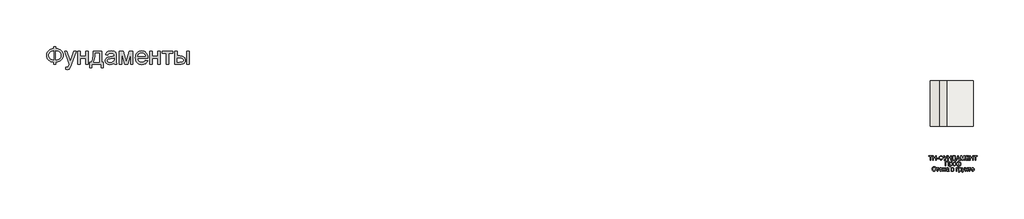
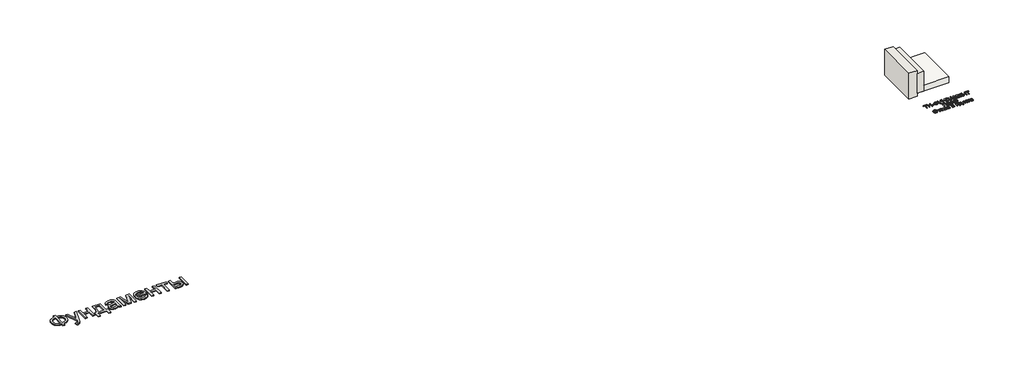
# One storey: 2 proxies, 2 walls, 1 slab.
"""IFC4 building model written with IfcOpenShell, lengths in millimetres."""

import ifcopenshell
import ifcopenshell.guid

model = None  # the IFC model being written
_history = None  # IfcOwnerHistory: only IFC2X3 demands one
_inside = {}  # id of a spatial element -> (the spatial element, [elements in it])
_under = {}  # id of a project, library or spatial element -> (it, [spatial elements below it])
_declared = {}  # id of a project -> (the project, [libraries it declares])
_typed = {}  # id of a type object -> (the type object, [elements of that type])
_made_of = {}  # id of a material, layer set ... -> (it, [elements and type objects made of it])


def new_model(schema):
    """Start an empty IFC model of exactly this schema.

    Asked for "IFC4X3", IfcOpenShell would pick the latest addendum, in which some entities
    have other attributes; the version numbers below select the first issue.
    IFC2X3 requires an IfcOwnerHistory on every rooted entity: one is made here for all.
    """
    global model, _history
    if schema == "IFC4X3":
        model = ifcopenshell.file(schema_version=(4, 3, 0, 0))
    else:
        model = ifcopenshell.file(schema=schema)
    _inside.clear()
    _under.clear()
    _declared.clear()
    _typed.clear()
    _made_of.clear()
    _history = None
    if model.schema == "IFC2X3":
        org = make("IfcOrganization", Name="unknown")
        user = make(
            "IfcPersonAndOrganization",
            ThePerson=make("IfcPerson", FamilyName="unknown"),
            TheOrganization=org,
        )
        app = make(
            "IfcApplication",
            ApplicationDeveloper=org,
            Version="unknown",
            ApplicationFullName="unknown",
            ApplicationIdentifier="unknown",
        )
        _history = make(
            "IfcOwnerHistory",
            OwningUser=user,
            OwningApplication=app,
            ChangeAction="ADDED",
            CreationDate=0,
        )
    return model


def make(cls, **values):
    """One entity of the class cls with the attributes given. An attribute that is None is left unset."""
    return model.create_entity(
        cls, **{name: value for name, value in values.items() if value is not None}
    )


def rooted(cls, **values):
    """An entity with a GlobalId (a new one), such as an element, a storey or a relation."""
    return make(cls, GlobalId=ifcopenshell.guid.new(), OwnerHistory=_history, **values)


def si_unit(unit_type, name, prefix=None):
    """IfcSIUnit, for example si_unit("LENGTHUNIT", "METRE", prefix="MILLI")."""
    return make("IfcSIUnit", UnitType=unit_type, Prefix=prefix, Name=name)


def assignment(units):
    """IfcUnitAssignment: the units of a project."""
    return None if units is None else make("IfcUnitAssignment", Units=units)


def point(xyz):
    """IfcCartesianPoint."""
    return None if xyz is None else make("IfcCartesianPoint", Coordinates=xyz)


def direction(xyz):
    """IfcDirection."""
    return None if xyz is None else make("IfcDirection", DirectionRatios=xyz)


def frame(location, z_axis=None, x_axis=None):
    """IfcAxis2Placement3D, a coordinate frame: its origin and axes. An axis left out is left unset."""
    return make(
        "IfcAxis2Placement3D",
        Location=point(location),
        Axis=direction(z_axis),
        RefDirection=direction(x_axis),
    )


def origin():
    """The frame at (0, 0, 0) with its axes left unset."""
    return frame((0.0, 0.0, 0.0))


def origin_with_axes():
    """The frame at (0, 0, 0) with the z axis (0, 0, 1) and the x axis (1, 0, 0) written out."""
    return frame((0.0, 0.0, 0.0), z_axis=(0.0, 0.0, 1.0), x_axis=(1.0, 0.0, 0.0))


def place(relative_to, where):
    """IfcLocalPlacement: puts the frame where relative to a parent placement (None: the world)."""
    return make(
        "IfcLocalPlacement", PlacementRelTo=relative_to, RelativePlacement=where
    )


def context(
    kind, dimensions, precision=None, world=None, true_north=None, identifier=None
):
    """IfcGeometricRepresentationContext, for example the 3D "Model" context."""
    return make(
        "IfcGeometricRepresentationContext",
        ContextIdentifier=identifier,
        ContextType=kind,
        CoordinateSpaceDimension=dimensions,
        Precision=precision,
        WorldCoordinateSystem=world,
        TrueNorth=true_north,
    )


def project(units=None, contexts=None):
    """IfcProject with its units and contexts."""
    return rooted(
        "IfcProject",
        Name="project",
        RepresentationContexts=contexts,
        UnitsInContext=assignment(units),
    )


def spatial(cls, under=None, at=None, **own):
    """A site, building, storey or space (cls), placed at a placement, below another one or the project."""
    s = rooted(cls, ObjectPlacement=at, **own)
    if under is not None:
        _under.setdefault(under.id(), (under, []))[1].append(s)
    return s


def polyline(points):
    """IfcPolyline through the points."""
    return make("IfcPolyline", Points=[point(p) for p in points])


def outline(outer, holes=None, kind="AREA"):
    """IfcArbitraryClosedProfileDef: a profile drawn as a closed curve; with holes, ...WithVoids."""
    if holes is None:
        return make("IfcArbitraryClosedProfileDef", ProfileType=kind, OuterCurve=outer)
    return make(
        "IfcArbitraryProfileDefWithVoids",
        ProfileType=kind,
        OuterCurve=outer,
        InnerCurves=holes,
    )


def extrude(swept, where, along, depth):
    """IfcExtrudedAreaSolid: the profile swept, set in the frame where, extruded along a direction by depth."""
    return make(
        "IfcExtrudedAreaSolid",
        SweptArea=swept,
        Position=where,
        ExtrudedDirection=direction(along),
        Depth=depth,
    )


def faces_of(points, faces, orient=None, outer=None):
    """IfcFace entities. A face is a list of loops; a loop is a list of indices into points, from 0.

    orient and outer hold one flag for each loop. By default every Orientation is true, the
    first loop of a face is its IfcFaceOuterBound and the others are IfcFaceBound.
    """
    made = []
    for i, loops in enumerate(faces):
        bounds = []
        for j, loop in enumerate(loops):
            is_outer = j == 0 if outer is None else outer[i][j]
            bounds.append(
                make(
                    "IfcFaceOuterBound" if is_outer else "IfcFaceBound",
                    Bound=make("IfcPolyLoop", Polygon=[points[k] for k in loop]),
                    Orientation=True if orient is None else orient[i][j],
                )
            )
        made.append(make("IfcFace", Bounds=bounds))
    return made


def faceted_brep(points, faces, orient=None, outer=None, voids=None):
    """IfcFacetedBrep: a solid bounded by flat faces; with voids (closed shells), ...WithVoids."""
    shared = [point(p) for p in points]
    hull = make("IfcClosedShell", CfsFaces=faces_of(shared, faces, orient, outer))
    if voids is None:
        return make("IfcFacetedBrep", Outer=hull)
    return make(
        "IfcFacetedBrepWithVoids",
        Outer=hull,
        Voids=[
            make(cls, CfsFaces=faces_of(shared, fs, o, b)) for cls, fs, o, b in voids
        ],
    )


def shape(context_of_items, identifier, shape_type, items):
    """IfcShapeRepresentation: the items that make up one representation, for example the "Body"."""
    return make(
        "IfcShapeRepresentation",
        ContextOfItems=context_of_items,
        RepresentationIdentifier=identifier,
        RepresentationType=shape_type,
        Items=items,
    )


def made_of(thing, what):
    """Note that an element or type object is made of a material, layer set ...; save() writes the relation."""
    if what is not None:
        _made_of.setdefault(what.id(), (what, []))[1].append(thing)
    return thing


def element(
    cls,
    number,
    at=None,
    inside=None,
    cuts=None,
    type_object=None,
    material=None,
    context=None,
    identifier="Body",
    shape_type=None,
    held_by="IfcProductDefinitionShape",
    body=None,
    shapes=None,
    **own,
):
    """One element of the class cls, such as IfcWall. Its Tag is "e" and its number.

    at: its placement. inside: the storey or other place that contains it. cuts: it is an
    opening in that element (IfcRelVoidsElement). A single representation is given by context,
    identifier, shape_type and body (its items); several are given by shapes. held_by: the class
    of the entity that holds the representations. save() writes the other relations.
    """
    e = rooted(cls, Tag="e%d" % number, ObjectPlacement=at, **own)
    if body is not None:
        shapes = [shape(context, identifier, shape_type, body)]
    if shapes is not None:
        e.Representation = make(held_by, Representations=shapes)
    if inside is not None:
        _inside.setdefault(inside.id(), (inside, []))[1].append(e)
    if cuts is not None:
        rooted(
            "IfcRelVoidsElement", RelatingBuildingElement=cuts, RelatedOpeningElement=e
        )
    if type_object is not None:
        _typed.setdefault(type_object.id(), (type_object, []))[1].append(e)
    return made_of(e, material)


def aggregate(whole, parts):
    """IfcRelAggregates: a whole, such as a stair, and the parts it consists of."""
    return rooted("IfcRelAggregates", RelatingObject=whole, RelatedObjects=parts)


def save(model, path):
    """Write the relations noted so far, then the file.

    IfcRelAggregates (storeys below a building ...), IfcRelContainedInSpatialStructure (elements
    in a storey), IfcRelDefinesByType, IfcRelAssociatesMaterial and IfcRelDeclares: one each for
    every whole, place, type object, material and project.
    """
    for whole, parts in _under.values():
        aggregate(whole, parts)
    for where, things in _inside.values():
        rooted(
            "IfcRelContainedInSpatialStructure",
            RelatedElements=things,
            RelatingStructure=where,
        )
    for kind, things in _typed.values():
        rooted("IfcRelDefinesByType", RelatedObjects=things, RelatingType=kind)
    for what, things in _made_of.values():
        rooted("IfcRelAssociatesMaterial", RelatedObjects=things, RelatingMaterial=what)
    for by, libraries in _declared.values():
        rooted("IfcRelDeclares", RelatingContext=by, RelatedDefinitions=libraries)
    model.write(path)


model = new_model("IFC4")

# Units and contexts
model_context = context("Model", 3, world=origin())
ifc_project = project(units=[si_unit("LENGTHUNIT", "METRE", prefix="MILLI")], contexts=[model_context])

# Site, building, storey
site = spatial("IfcSite", under=ifc_project)
building = spatial("IfcBuilding", under=site)
storey = spatial("IfcBuildingStorey", under=building, Elevation=0.0)

# Proxies
placement = place(None, origin())
element("IfcBuildingElementProxy", 1, Name="Generic Models", at=placement, inside=storey, context=model_context, shape_type="SweptSolid", body=[
    extrude(outline(polyline([(-1939.8736325, -26885.7211043), (-1939.8736325, -26787.7817103), (-1841.9342386, -26787.7817103), (-1841.9342386, -26885.7211043), (-1772.0723186, -26894.3529698), (-1709.9695132, -26912.2144755), (-1655.6258224, -26939.3056213), (-1609.0412461, -26975.6264073), (-1571.6743546, -27019.0607113), (-1544.9837177, -27067.4924111), (-1528.9693356, -27120.9215067), (-1523.6312083, -27179.3479982), (-1528.8019587, -27236.6028514), (-1544.3142102, -27289.3863505), (-1570.1679625, -27337.6984954), (-1606.3632158, -27381.5392861), (-1628.1416397, -27401.1761824), (-1652.1109076, -27418.4817577), (-1706.6219753, -27446.0989452), (-1769.896419, -27464.3908486), (-1841.9342386, -27473.3574679), (-1841.9342386, -27571.2968619), (-1939.8736325, -27571.2968619), (-1939.8736325, -27473.3574679), (-2005.3060425, -27466.0586398), (-2065.0237272, -27449.518216), (-2119.0266865, -27423.7361966), (-2167.3149204, -27388.7125816), (-2207.0669327, -27345.8939854), (-2222.6837947, -27322.10405), (-2235.4612272, -27296.7270228), (-2245.3992303, -27269.7629041), (-2252.4978039, -27241.2116938), (-2258.1766628, -27179.3479982), (-2252.5157371, -27117.2033486), (-2245.4395801, -27088.5878775), (-2235.5329602, -27061.6103088), (-2222.7958774, -27036.2706426), (-2207.2283318, -27012.5688789), (-2188.8303234, -26990.5050176), (-2167.6018522, -26970.0790588), (-2119.4032845, -26935.3961753), (-2065.382392, -26909.775555), (-2005.5391746, -26893.217198), (-1939.8736325, -26885.7211043)]), holes=[polyline([(-1841.9342386, -26983.6604982), (-1841.9342386, -27375.418074), (-1793.3949393, -27370.2234125), (-1750.3073446, -27359.2303372), (-1712.6714545, -27342.4388481), (-1680.4872689, -27319.8489452), (-1654.7112272, -27291.9627591), (-1636.2997689, -27259.2824206), (-1625.2528939, -27221.8079296), (-1621.5706022, -27179.5392861), (-1625.1871387, -27137.922217), (-1636.036748, -27100.872146), (-1654.1194303, -27068.389073), (-1679.4351855, -27040.4729982), (-1711.2905951, -27017.6977852), (-1748.9922405, -27000.6372975), (-1792.5401216, -26989.2915352), (-1841.9342386, -26983.6604982)]), polyline([(-1939.8736325, -26983.6604982), (-1986.781007, -26988.5861611), (-2028.989873, -26999.3461043), (-2066.5002305, -27015.9403278), (-2099.3120795, -27038.3688316), (-2125.9668498, -27066.2012179), (-2145.0059715, -27099.0070891), (-2156.4294445, -27136.7864452), (-2160.2372689, -27179.5392861), (-2156.4772665, -27221.9035735), (-2145.1972594, -27259.4737085), (-2126.3972476, -27292.2496909), (-2100.077231, -27320.231521), (-2067.5044919, -27342.8692459), (-2029.9463124, -27359.612913), (-1987.4026926, -27370.4625224), (-1939.8736325, -27375.418074), (-1939.8736325, -26983.6604982)])]), origin_with_axes(), (0.0, 0.0, 1.0), 40.0),
    extrude(outline(polyline([(-1401.2069658, -27791.6604982), (-1413.4493901, -27697.355574), (-1386.764731, -27703.8115399), (-1363.7145416, -27705.9635285), (-1337.5559242, -27703.2615872), (-1317.2315871, -27695.1557634), (-1301.4025151, -27682.2199206), (-1288.7296931, -27665.0279225), (-1261.9493901, -27592.9123922), (-1254.2978749, -27569.1926952), (-1462.4190871, -26995.9029225), (-1359.1236325, -26995.9029225), (-1248.7505264, -27315.35368), (-1210.3016628, -27443.1339831), (-1171.8527992, -27330.2741346), (-1058.4190871, -26995.9029225), (-955.888784, -26995.9029225), (-1156.1671931, -27585.0695891), (-1185.9124583, -27663.4019755), (-1208.1974961, -27712.8498922), (-1234.8343333, -27753.6420323), (-1265.0099961, -27781.9048164), (-1300.0634999, -27798.403396), (-1341.3338598, -27803.9029225), (-1369.6922878, -27800.8423164), (-1401.2069658, -27791.6604982)])), origin_with_axes(), (0.0, 0.0, 1.0), 40.0),
    extrude(outline(polyline([(-874.7827234, -26995.9029225), (-776.8433295, -26995.9029225), (-776.8433295, -27216.2665588), (-519.7524204, -27216.2665588), (-519.7524204, -26995.9029225), (-421.8130264, -26995.9029225), (-421.8130264, -27571.2968619), (-519.7524204, -27571.2968619), (-519.7524204, -27314.2059528), (-776.8433295, -27314.2059528), (-776.8433295, -27571.2968619), (-874.7827234, -27571.2968619), (-874.7827234, -26995.9029225)])), origin_with_axes(), (0.0, 0.0, 1.0), 40.0),
    extrude(outline(polyline([(-189.2069658, -26995.9029225), (178.0657614, -26995.9029225), (178.0657614, -27473.3574679), (251.5203069, -27473.3574679), (251.5203069, -27730.448377), (153.5809129, -27730.448377), (153.5809129, -27571.2968619), (-250.4190871, -27571.2968619), (-250.4190871, -27730.448377), (-348.358481, -27730.448377), (-348.358481, -27473.3574679), (-287.1463598, -27473.3574679), (-263.2293972, -27436.3970631), (-242.648017, -27392.9448259), (-225.4022192, -27343.0007563), (-211.4920037, -27286.5648543), (-200.9173707, -27223.6371199), (-193.67832, -27154.2175531), (-189.7748517, -27078.306154), (-189.2069658, -26995.9029225)]), holes=[polyline([(-103.5099961, -27093.8423164), (-111.5440871, -27213.7559054), (-126.4645416, -27316.979627), (-148.2713598, -27403.5134812), (-161.7571552, -27440.521708), (-176.9645416, -27473.3574679), (80.1263675, -27473.3574679), (80.1263675, -27093.8423164), (-103.5099961, -27093.8423164)])]), origin_with_axes(), (0.0, 0.0, 1.0), 40.0),
    extrude(outline(polyline([(728.9748523, -27497.8423164), (682.181055, -27537.964949), (658.2640924, -27552.8256261), (634.0004205, -27564.2192103), (583.3330436, -27578.7092672), (529.079019, -27583.5392861), (485.4713604, -27580.6341014), (447.2317179, -27571.9185475), (414.3600914, -27557.3926242), (386.8564811, -27537.0563316), (365.1393291, -27512.2008628), (349.6270777, -27484.1174111), (340.3197269, -27452.8059764), (337.2172766, -27418.2665588), (341.9038296, -27377.6657066), (355.9634887, -27340.7949679), (377.650752, -27309.2324679), (405.2201175, -27284.5563316), (437.619502, -27265.9057634), (473.796822, -27252.4199679), (558.5373523, -27237.6908013), (658.6765569, -27222.1964831), (728.4009887, -27204.0241346), (728.9748523, -27182.2173164), (727.2891279, -27158.4737085), (722.2319546, -27138.5080361), (713.8033325, -27122.3202994), (702.0032614, -27109.9104982), (681.6071914, -27097.5246081), (656.7636781, -27088.6775437), (627.4727217, -27083.369305), (593.734322, -27081.5998922), (535.391519, -27086.3103562), (512.8195493, -27092.1984362), (494.6472008, -27100.4417482), (479.7147908, -27111.6858888), (466.8626364, -27126.5764547), (456.0907378, -27145.1134457), (447.3990948, -27167.2968619), (349.4597008, -27155.0544376), (366.4604111, -27101.4938316), (378.0990829, -27079.0175058), (391.829966, -27059.4104982), (408.2448571, -27042.2782776), (427.9355531, -27027.2263126), (450.902054, -27014.2546033), (477.1443599, -27003.3631497), (537.3283088, -26988.5861611), (606.359322, -26983.6604982), (672.5688391, -26988.0122975), (725.0534508, -27001.0676952), (764.6261307, -27020.6986138), (792.0998523, -27044.7769755), (810.3200228, -27074.5461516), (822.1320493, -27111.2495134), (825.718697, -27145.1074679), (826.9142463, -27196.9464831), (826.9142463, -27318.7968619), (828.1576175, -27424.9377236), (831.8877311, -27488.94743), (839.2523145, -27531.0068524), (851.3990948, -27571.2968619), (753.4597008, -27571.2968619), (737.7740948, -27537.2476194), (728.9748523, -27497.8423164)]), holes=[polyline([(728.9748523, -27301.9635285), (663.171822, -27318.2708202), (570.9710645, -27331.9957255), (520.1602217, -27339.5037747), (486.7087539, -27347.8726194), (464.7823807, -27358.7282066), (448.546822, -27373.6964831), (438.5042084, -27391.6297217), (435.1566705, -27411.3801952), (436.9798831, -27426.599537), (442.4495209, -27440.5037747), (451.5655839, -27453.0929083), (464.328072, -27464.3669376), (480.6174305, -27473.6563552), (500.3141042, -27480.2916535), (549.9293978, -27485.5998922), (602.5335645, -27479.7417009), (626.5401932, -27472.4189618), (649.016519, -27462.167127), (686.7002311, -27436.2715304), (712.9066705, -27405.450271), (724.5274092, -27373.6964831), (728.4009887, -27329.700271), (728.9748523, -27301.9635285)])]), origin_with_axes(), (0.0, 0.0, 1.0), 40.0),
    extrude(outline(polyline([(961.5809129, -26995.9029225), (1130.1055342, -26995.9029225), (1259.9900039, -27456.5241346), (1400.0127311, -26995.9029225), (1561.4597008, -26995.9029225), (1561.4597008, -27571.2968619), (1463.5203069, -27571.2968619), (1463.5203069, -27107.9976194), (1322.7324281, -27571.2968619), (1194.1869736, -27571.2968619), (1059.5203069, -27085.8082255), (1059.5203069, -27571.2968619), (961.5809129, -27571.2968619), (961.5809129, -26995.9029225)])), origin_with_axes(), (0.0, 0.0, 1.0), 40.0),
    extrude(outline(polyline([(2111.2210645, -27399.9029225), (2207.2475796, -27412.1453467), (2192.5243907, -27450.6061658), (2172.6483845, -27484.4999869), (2147.6195611, -27513.8268098), (2117.4379205, -27538.5866346), (2082.4143055, -27558.2534196), (2042.8595588, -27572.3011232), (1998.7736805, -27580.7297454), (1950.1566705, -27583.5392861), (1889.3869025, -27578.6913339), (1835.2404773, -27564.1474774), (1787.717395, -27539.9077165), (1746.8176554, -27505.9720513), (1713.9280957, -27463.2849656), (1690.4355531, -27412.7909433), (1676.3400275, -27354.4899845), (1671.641519, -27288.3820891), (1676.3878495, -27220.0325389), (1690.626841, -27159.7888126), (1714.3584934, -27107.6509102), (1747.5828069, -27063.6188316), (1788.374947, -27028.6370607), (1834.8100796, -27003.6500816), (1886.8882046, -26988.6578941), (1944.609322, -26983.6604982), (2000.4713604, -26988.6459386), (2050.9892936, -27003.6022596), (2096.1631218, -27028.5294613), (2135.9928448, -27063.4275437), (2168.5058064, -27107.3639783), (2191.7293504, -27159.4062369), (2205.6634769, -27219.5543192), (2210.3081857, -27287.8082255), (2209.734322, -27314.2059528), (1769.5809129, -27314.2059528), (1775.2537941, -27353.2884575), (1786.5338012, -27387.5170323), (1803.4209343, -27416.8916772), (1825.9151932, -27441.4123922), (1852.773207, -27460.7444234), (1882.7516042, -27474.5530172), (1915.850385, -27482.8381734), (1952.0695493, -27485.5998922), (2004.1954963, -27480.4829414), (2048.0960645, -27465.1320891), (2066.9618315, -27453.3798401), (2083.7712539, -27438.590896), (2098.5243315, -27420.7652567), (2111.2210645, -27399.9029225)]), holes=[polyline([(1769.5809129, -27216.2665588), (2112.3687917, -27216.2665588), (2107.3355294, -27188.5537274), (2099.1221061, -27164.5231876), (2087.7285218, -27144.1749395), (2073.1547766, -27127.5089831), (2046.4462065, -27107.4237558), (2016.0553448, -27093.0771649), (1981.9821914, -27084.4692103), (1944.2267463, -27081.5998922), (1909.7889504, -27083.889369), (1878.2085171, -27090.7577994), (1849.4854466, -27102.2051834), (1823.6197387, -27118.231521), (1801.9145422, -27138.0955716), (1785.6730057, -27161.0560948), (1774.8951293, -27187.1130906), (1769.5809129, -27216.2665588)])]), origin_with_axes(), (0.0, 0.0, 1.0), 40.0),
    extrude(outline(polyline([(2308.2475796, -26995.9029225), (2406.1869736, -26995.9029225), (2406.1869736, -27216.2665588), (2663.2778826, -27216.2665588), (2663.2778826, -26995.9029225), (2761.2172766, -26995.9029225), (2761.2172766, -27571.2968619), (2663.2778826, -27571.2968619), (2663.2778826, -27314.2059528), (2406.1869736, -27314.2059528), (2406.1869736, -27571.2968619), (2308.2475796, -27571.2968619), (2308.2475796, -26995.9029225)])), origin_with_axes(), (0.0, 0.0, 1.0), 40.0),
    extrude(outline(polyline([(2859.1566705, -26995.9029225), (3324.3687917, -26995.9029225), (3324.3687917, -27093.8423164), (3140.7324281, -27093.8423164), (3140.7324281, -27571.2968619), (3042.7930342, -27571.2968619), (3042.7930342, -27093.8423164), (2859.1566705, -27093.8423164), (2859.1566705, -26995.9029225)])), origin_with_axes(), (0.0, 0.0, 1.0), 40.0),
    extrude(outline(polyline([(3948.7324281, -26995.9029225), (4046.671822, -26995.9029225), (4046.671822, -27571.2968619), (3948.7324281, -27571.2968619), (3948.7324281, -26995.9029225)])), origin_with_axes(), (0.0, 0.0, 1.0), 40.0),
    extrude(outline(polyline([(3410.0657614, -26995.9029225), (3508.0051554, -26995.9029225), (3508.0051554, -27204.0241346), (3629.0903826, -27204.0241346), (3684.8089551, -27207.0907184), (3733.7487633, -27216.2904698), (3775.9098074, -27231.6233888), (3811.2920872, -27253.0894755), (3839.2858727, -27279.9474892), (3859.2814338, -27311.4561895), (3871.2787704, -27347.6155763), (3875.2778826, -27388.4256497), (3871.924367, -27424.8361019), (3861.8638201, -27458.5087463), (3845.096242, -27489.443583), (3821.6216326, -27517.6406119), (3790.7824399, -27541.1152212), (3751.9211118, -27557.8827994), (3705.0376483, -27567.9433462), (3650.1320493, -27571.2968619), (3410.0657614, -27571.2968619), (3410.0657614, -26995.9029225)]), holes=[polyline([(3508.0051554, -27473.3574679), (3608.6225796, -27473.3574679), (3686.6202122, -27468.2166062), (3715.8274802, -27461.790529), (3738.5070493, -27452.794021), (3755.495804, -27441.0716606), (3767.6306289, -27426.4680266), (3774.9115237, -27408.983119), (3777.3384887, -27388.6169376), (3775.5391871, -27372.1542245), (3770.1412823, -27356.6240399), (3761.1447742, -27342.0263836), (3748.5496629, -27328.3612558), (3729.8094286, -27316.8122501), (3702.3775512, -27308.5629603), (3666.2540308, -27303.6133865), (3621.4388675, -27301.9635285), (3508.0051554, -27301.9635285), (3508.0051554, -27473.3574679)])]), origin_with_axes(), (0.0, 0.0, 1.0), 40.0),
])
element("IfcBuildingElementProxy", 2, Name="Generic Models", at=placement, inside=storey, context=model_context, shape_type="SweptSolid", body=[
    extrude(outline(polyline([(36790.0261809, -31805.4852611), (36790.0261809, -31633.1775688), (36725.4107963, -31633.1775688), (36725.4107963, -31608.5621842), (36879.2569501, -31608.5621842), (36879.2569501, -31633.1775688), (36814.6415655, -31633.1775688), (36814.6415655, -31805.4852611), (36790.0261809, -31805.4852611)])), origin_with_axes(), (0.0, 0.0, 1.0), 20.0),
    extrude(outline(polyline([(36906.9492578, -31805.4852611), (36906.9492578, -31608.5621842), (36931.5646424, -31608.5621842), (36931.5646424, -31688.5621842), (37036.180027, -31688.5621842), (37036.180027, -31608.5621842), (37060.7954117, -31608.5621842), (37060.7954117, -31805.4852611), (37036.180027, -31805.4852611), (37036.180027, -31713.1775688), (36931.5646424, -31713.1775688), (36931.5646424, -31805.4852611), (36906.9492578, -31805.4852611)])), origin_with_axes(), (0.0, 0.0, 1.0), 20.0),
    extrude(outline(polyline([(37088.4877194, -31747.0237226), (37088.4877194, -31722.408338), (37165.4107963, -31722.408338), (37165.4107963, -31747.0237226), (37088.4877194, -31747.0237226)])), origin_with_axes(), (0.0, 0.0, 1.0), 20.0),
    extrude(outline(polyline([(37266.9492578, -31633.1775688), (37266.9492578, -31608.5621842), (37291.5646424, -31608.5621842), (37291.5646424, -31633.1775688), (37324.7317097, -31639.8362226), (37350.0982963, -31655.7737226), (37366.1980559, -31678.8626649), (37371.5646424, -31706.9756457), (37366.3663251, -31734.6318957), (37350.7713732, -31757.7929534), (37325.5730559, -31774.0189149), (37291.5646424, -31780.8698765), (37291.5646424, -31805.4852611), (37266.9492578, -31805.4852611), (37266.9492578, -31780.8698765), (37235.4949309, -31774.8782899), (37209.7857963, -31759.595838), (37199.7948107, -31748.8341193), (37192.6583924, -31736.4768476), (37186.9492578, -31706.9756457), (37192.6403636, -31677.3842995), (37199.7542458, -31665.0585784), (37209.7136809, -31654.3794919), (37235.4047867, -31639.2232419), (37266.9492578, -31633.1775688)]), holes=[polyline([(37266.9492578, -31657.7929534), (37244.5514213, -31661.7352611), (37226.8771424, -31671.5429534), (37215.3927674, -31686.783338), (37211.5646424, -31707.0237226), (37215.3446905, -31727.1138669), (37226.6848347, -31742.3842995), (37244.3110367, -31752.2821361), (37266.9492578, -31756.2544919), (37266.9492578, -31657.7929534)]), polyline([(37291.5646424, -31657.7929534), (37291.5646424, -31756.2544919), (37314.5934886, -31752.1859822), (37332.1415655, -31742.2881457), (37343.2473347, -31727.0657899), (37346.9492578, -31707.0237226), (37343.3134405, -31687.252088), (37332.4059886, -31672.0717995), (37314.9240174, -31662.0597803), (37291.5646424, -31657.7929534)])]), origin_with_axes(), (0.0, 0.0, 1.0), 20.0),
    extrude(outline(polyline([(37391.5646424, -31608.5621842), (37418.8242578, -31608.5621842), (37477.7184886, -31725.1967995), (37530.6992578, -31608.5621842), (37557.7184886, -31608.5621842), (37482.9588732, -31761.9756457), (37462.6223347, -31799.6679534), (37452.9708924, -31806.3386265), (37439.8819501, -31808.5621842), (37417.7184886, -31805.4852611), (37417.7184886, -31783.9467995), (37437.0934886, -31783.9467995), (37451.4684886, -31778.4660303), (37464.7857963, -31753.5141072), (37391.5646424, -31608.5621842)])), origin_with_axes(), (0.0, 0.0, 1.0), 20.0),
    extrude(outline(polyline([(37580.7954117, -31805.4852611), (37580.7954117, -31608.5621842), (37605.4107963, -31608.5621842), (37605.4107963, -31688.5621842), (37710.0261809, -31688.5621842), (37710.0261809, -31608.5621842), (37734.6415655, -31608.5621842), (37734.6415655, -31805.4852611), (37710.0261809, -31805.4852611), (37710.0261809, -31713.1775688), (37605.4107963, -31713.1775688), (37605.4107963, -31805.4852611), (37580.7954117, -31805.4852611)])), origin_with_axes(), (0.0, 0.0, 1.0), 20.0),
    extrude(outline(polyline([(37796.180027, -31608.5621842), (37913.103104, -31608.5621842), (37913.103104, -31780.8698765), (37931.5646424, -31780.8698765), (37931.5646424, -31851.6391072), (37906.9492578, -31851.6391072), (37906.9492578, -31805.4852611), (37780.7954117, -31805.4852611), (37780.7954117, -31851.6391072), (37756.180027, -31851.6391072), (37756.180027, -31780.8698765), (37771.5646424, -31780.8698765), (37782.3338732, -31758.5411505), (37790.0261809, -31727.1318957), (37794.6415655, -31686.642112), (37796.180027, -31637.0717995), (37796.180027, -31608.5621842)]), holes=[polyline([(37888.4877194, -31633.1775688), (37820.7954117, -31633.1775688), (37820.7954117, -31643.0814149), (37815.7954117, -31710.533338), (37808.3915655, -31749.5117034), (37796.180027, -31780.8698765), (37888.4877194, -31780.8698765), (37888.4877194, -31633.1775688)])]), origin_with_axes(), (0.0, 0.0, 1.0), 20.0),
    extrude(outline(polyline([(37939.4011809, -31805.4852611), (38018.0069501, -31608.5621842), (38038.9684886, -31608.5621842), (38117.5742578, -31805.4852611), (38091.5646424, -31805.4852611), (38069.0165655, -31743.9467995), (37987.9107963, -31743.9467995), (37965.4107963, -31805.4852611), (37939.4011809, -31805.4852611)]), holes=[polyline([(37996.9492578, -31719.3314149), (38060.0261809, -31719.3314149), (38042.2857963, -31670.9179534), (38028.4877194, -31633.1775688), (38016.228104, -31666.6871842), (37996.9492578, -31719.3314149)])]), origin_with_axes(), (0.0, 0.0, 1.0), 20.0),
    extrude(outline(polyline([(38143.8723347, -31805.4852611), (38143.8723347, -31608.5621842), (38186.228104, -31608.5621842), (38226.5165655, -31747.3602611), (38234.6415655, -31776.3506457), (38243.4396424, -31744.9564149), (38283.055027, -31608.5621842), (38325.4107963, -31608.5621842), (38325.4107963, -31805.4852611), (38300.7954117, -31805.4852611), (38300.7954117, -31633.1775688), (38251.3242578, -31805.4852611), (38217.9588732, -31805.4852611), (38168.4877194, -31633.1775688), (38168.4877194, -31805.4852611), (38143.8723347, -31805.4852611)])), origin_with_axes(), (0.0, 0.0, 1.0), 20.0),
    extrude(outline(polyline([(38368.4877194, -31805.4852611), (38368.4877194, -31608.5621842), (38510.0261809, -31608.5621842), (38510.0261809, -31633.1775688), (38393.103104, -31633.1775688), (38393.103104, -31691.6391072), (38503.8723347, -31691.6391072), (38503.8723347, -31716.2544919), (38393.103104, -31716.2544919), (38393.103104, -31780.8698765), (38513.103104, -31780.8698765), (38513.103104, -31805.4852611), (38368.4877194, -31805.4852611)])), origin_with_axes(), (0.0, 0.0, 1.0), 20.0),
    extrude(outline(polyline([(38550.0261809, -31805.4852611), (38550.0261809, -31608.5621842), (38574.6415655, -31608.5621842), (38574.6415655, -31688.5621842), (38679.2569501, -31688.5621842), (38679.2569501, -31608.5621842), (38703.8723347, -31608.5621842), (38703.8723347, -31805.4852611), (38679.2569501, -31805.4852611), (38679.2569501, -31713.1775688), (38574.6415655, -31713.1775688), (38574.6415655, -31805.4852611), (38550.0261809, -31805.4852611)])), origin_with_axes(), (0.0, 0.0, 1.0), 20.0),
    extrude(outline(polyline([(38796.180027, -31805.4852611), (38796.180027, -31633.1775688), (38731.5646424, -31633.1775688), (38731.5646424, -31608.5621842), (38885.4107963, -31608.5621842), (38885.4107963, -31633.1775688), (38820.7954117, -31633.1775688), (38820.7954117, -31805.4852611), (38796.180027, -31805.4852611)])), origin_with_axes(), (0.0, 0.0, 1.0), 20.0),
    extrude(outline(polyline([(37465.4107963, -31851.6391072), (37619.2569501, -31851.6391072), (37619.2569501, -32048.5621842), (37594.6415655, -32048.5621842), (37594.6415655, -31876.2544919), (37490.0261809, -31876.2544919), (37490.0261809, -32048.5621842), (37465.4107963, -32048.5621842), (37465.4107963, -31851.6391072)])), origin_with_axes(), (0.0, 0.0, 1.0), 20.0),
    extrude(outline(polyline([(37659.2569501, -32103.9467995), (37659.2569501, -31903.9467995), (37683.8723347, -31903.9467995), (37683.8723347, -31928.0814149), (37700.8915655, -31907.6727611), (37711.3723347, -31902.5705976), (37723.8723347, -31900.8698765), (37740.5189694, -31903.2496842), (37755.0742578, -31910.3891072), (37766.9252194, -31921.8554534), (37775.4588732, -31937.2160303), (37780.6151232, -31955.3530495), (37782.3338732, -31975.1487226), (37780.3927674, -31996.2004053), (37774.5694501, -32015.0285303), (37765.0502194, -32030.6775688), (37752.0213732, -32042.1919919), (37736.8470944, -32049.2773284), (37720.8915655, -32051.6391072), (37709.5754597, -32050.0585784), (37699.4732963, -32045.3169919), (37683.8723347, -32029.3314149), (37683.8723347, -32103.9467995), (37659.2569501, -32103.9467995)]), holes=[polyline([(37683.8723347, -31977.408338), (37686.5345944, -31999.4756457), (37694.5213732, -32014.908338), (37706.306229, -32023.9948765), (37720.3627194, -32027.0237226), (37734.6475751, -32023.8867034), (37746.7329117, -32014.4756457), (37754.9720944, -31998.4780495), (37757.7184886, -31975.5814149), (37755.0382001, -31953.6342995), (37746.9973347, -31937.9852611), (37735.2305078, -31928.6102611), (37721.3723347, -31925.4852611), (37707.4600751, -31928.8085784), (37695.242527, -31938.7785303), (37686.7148828, -31955.0826169), (37683.8723347, -31977.408338)])]), origin_with_axes(), (0.0, 0.0, 1.0), 20.0),
    extrude(outline(polyline([(37803.8723347, -31976.2544919), (37809.196854, -31941.3867034), (37815.852503, -31927.8380255), (37825.1704117, -31916.8794919), (37844.9059886, -31904.8722803), (37868.5357963, -31900.8698765), (37894.3951713, -31905.7436745), (37915.0502194, -31920.3650688), (37928.5898828, -31943.580213), (37933.103104, -31974.2352611), (37931.1079117, -31999.1030495), (37925.1223347, -32018.033338), (37915.320652, -32032.2100207), (37901.8771424, -32042.8169919), (37885.9095944, -32049.4335784), (37868.5357963, -32051.6391072), (37842.3639213, -32046.783338), (37821.7329117, -32032.2160303), (37808.337479, -32008.5141072), (37803.8723347, -31976.2544919)]), holes=[polyline([(37828.4877194, -31976.2064149), (37831.336277, -31998.4840592), (37839.8819501, -32014.3554534), (37852.742527, -32023.8566553), (37868.5357963, -32027.0237226), (37884.2569501, -32023.8386265), (37897.0934886, -32014.283338), (37905.6391617, -31998.2016072), (37908.4877194, -31975.4371842), (37905.6211328, -31953.8085784), (37897.0213732, -31938.1535303), (37884.1668059, -31928.6523284), (37868.5357963, -31925.4852611), (37852.742527, -31928.6403092), (37839.8819501, -31938.1054534), (37831.336277, -31953.9407899), (37828.4877194, -31976.2064149)])]), origin_with_axes(), (0.0, 0.0, 1.0), 20.0),
    extrude(outline(polyline([(38043.8723347, -31851.6391072), (38068.4877194, -31851.6391072), (38068.4877194, -31917.8410303), (38084.1367578, -31905.0766072), (38102.478104, -31900.8698765), (38124.0225751, -31906.2184342), (38140.5790655, -31922.2641072), (38151.1259405, -31946.4227611), (38154.6415655, -31976.1102611), (38150.8555078, -32006.705213), (38139.4973347, -32030.7977611), (38122.5141617, -32046.4287707), (38101.853104, -32051.6391072), (38086.805027, -32049.2352611), (38068.4877194, -32036.1102611), (38068.4877194, -32103.9467995), (38043.8723347, -32103.9467995), (38043.8723347, -32036.1102611), (38028.1511809, -32047.7448765), (38009.5454117, -32051.6391072), (37988.9204117, -32046.6631457), (37971.0838732, -32031.7352611), (37958.7521424, -32007.5405495), (37954.6415655, -31974.7641072), (37958.3615174, -31945.9059342), (37969.5213732, -31922.1198765), (37986.9672867, -31906.1823765), (38009.5454117, -31900.8698765), (38028.6079117, -31905.0766072), (38043.8723347, -31917.8410303), (38043.8723347, -31851.6391072)]), holes=[polyline([(38068.3434886, -31976.6871842), (38070.3927674, -32001.6090592), (38076.540604, -32016.7592995), (38085.7773828, -32024.4576169), (38097.0934886, -32027.0237226), (38109.743729, -32023.8686745), (38120.3867578, -32014.4035303), (38127.6163251, -31998.2917515), (38130.0261809, -31975.1967995), (38127.8026232, -31953.2977611), (38121.1319501, -31937.7929534), (38110.9757001, -31928.5621842), (38098.2954117, -31925.4852611), (38085.2365174, -31928.6883861), (38075.867527, -31938.2977611), (38070.2244982, -31954.3013669), (38068.3434886, -31976.6871842)]), polyline([(37979.2569501, -31974.2352611), (37981.7208924, -31998.3818957), (37989.1127194, -32014.6679534), (38000.1583924, -32023.9347803), (38013.5838732, -32027.0237226), (38026.9432482, -32023.9528092), (38036.4444501, -32014.7400688), (38042.1235367, -31999.3855015), (38044.0165655, -31977.8891072), (38042.0273828, -31954.9624245), (38036.0598347, -31938.5862226), (38026.0778636, -31928.7605015), (38012.0454117, -31925.4852611), (37998.8723347, -31928.6823765), (37988.3915655, -31938.2737226), (37981.540604, -31953.658338), (37979.2569501, -31974.2352611)])]), origin_with_axes(), (0.0, 0.0, 1.0), 20.0),
    extrude(outline(polyline([(37023.8723347, -32221.6391072), (37048.4877194, -32227.9852611), (37037.1295463, -32256.6691553), (37019.305027, -32277.6246842), (36995.8915655, -32290.4431938), (36967.7665655, -32294.7160303), (36939.2148828, -32291.4828572), (36916.540604, -32281.783338), (36899.1607963, -32265.9540111), (36886.492527, -32244.3314149), (36878.758152, -32218.9107419), (36876.180027, -32191.6871842), (36879.0946905, -32162.9732419), (36887.8386809, -32138.1775688), (36901.9552674, -32118.0874245), (36920.9877194, -32103.4900688), (36943.5598347, -32094.6018476), (36968.2954117, -32091.6391072), (36995.2845944, -32095.4732419), (37017.5982963, -32106.9756457), (37034.539402, -32125.4371842), (37045.4107963, -32150.1487226), (37020.7954117, -32156.0141072), (37012.2617578, -32138.0633861), (37000.603104, -32125.7496842), (36985.6752194, -32118.6282899), (36967.3338732, -32116.2544919), (36946.1920463, -32118.8867034), (36928.8242578, -32126.783338), (36915.6451713, -32139.1150688), (36907.0694501, -32155.0525688), (36902.3639213, -32173.0693957), (36900.7954117, -32191.6391072), (36902.6523828, -32214.3794919), (36908.2232963, -32234.0429534), (36917.7184886, -32249.8782899), (36931.3482963, -32261.1342995), (36947.6884405, -32267.8590592), (36965.3146424, -32270.1006457), (36985.8615174, -32267.0477611), (37002.9829117, -32257.8891072), (37015.9095944, -32242.720838), (37023.8723347, -32221.6391072)])), origin_with_axes(), (0.0, 0.0, 1.0), 20.0),
    extrude(outline(polyline([(37066.9492578, -32147.0237226), (37183.8723347, -32147.0237226), (37183.8723347, -32171.6391072), (37137.7184886, -32171.6391072), (37137.7184886, -32291.6391072), (37113.103104, -32291.6391072), (37113.103104, -32171.6391072), (37066.9492578, -32171.6391072), (37066.9492578, -32147.0237226)])), origin_with_axes(), (0.0, 0.0, 1.0), 20.0),
    extrude(outline(polyline([(37306.6607963, -32248.5621842), (37330.7954117, -32251.6391072), (37322.0994982, -32269.8242034), (37308.2232963, -32283.4179534), (37289.4793059, -32291.8915111), (37266.180027, -32294.7160303), (37237.2978155, -32289.8422322), (37215.0742578, -32275.220838), (37200.9035847, -32251.8013669), (37196.180027, -32220.533338), (37200.9516617, -32188.2136265), (37215.2665655, -32164.0429534), (37237.1896424, -32148.970838), (37264.7857963, -32143.9467995), (37291.5225751, -32148.9588188), (37312.8867578, -32163.9948765), (37326.8951713, -32188.1174726), (37331.5646424, -32220.3891072), (37331.4204117, -32227.0237226), (37220.7954117, -32227.0237226), (37225.056229, -32245.4492034), (37234.9540655, -32258.9948765), (37249.2389213, -32267.3242034), (37266.6607963, -32270.1006457), (37290.7954117, -32264.9564149), (37299.7617578, -32258.2857419), (37306.6607963, -32248.5621842)]), holes=[polyline([(37220.7954117, -32202.408338), (37306.9492578, -32202.408338), (37303.6199309, -32189.4035303), (37297.0934886, -32180.1006457), (37282.742527, -32171.4467995), (37264.6896424, -32168.5621842), (37248.0970944, -32170.8638669), (37234.3771424, -32177.7689149), (37224.8398828, -32188.5321361), (37220.7954117, -32202.408338)])]), origin_with_axes(), (0.0, 0.0, 1.0), 20.0),
    extrude(outline(polyline([(37356.180027, -32147.0237226), (37380.7954117, -32147.0237226), (37380.7954117, -32202.408338), (37445.4107963, -32202.408338), (37445.4107963, -32147.0237226), (37470.0261809, -32147.0237226), (37470.0261809, -32291.6391072), (37445.4107963, -32291.6391072), (37445.4107963, -32227.0237226), (37380.7954117, -32227.0237226), (37380.7954117, -32291.6391072), (37356.180027, -32291.6391072), (37356.180027, -32147.0237226)])), origin_with_axes(), (0.0, 0.0, 1.0), 20.0),
    extrude(outline(polyline([(37599.2569501, -32273.1775688), (37575.3867578, -32289.8602611), (37549.0165655, -32294.7160303), (37528.445652, -32291.7953572), (37513.2713732, -32283.033338), (37503.914402, -32269.7280495), (37500.7954117, -32253.1775688), (37505.5069501, -32233.7064149), (37517.8867578, -32219.5717995), (37535.1223347, -32211.4948765), (37556.4204117, -32207.7929534), (37599.1127194, -32199.3314149), (37599.2569501, -32193.8506457), (37597.5622386, -32182.8650688), (37592.478104, -32175.6775688), (37581.1079117, -32170.3410303), (37565.2665655, -32168.5621842), (37540.3627194, -32173.2977611), (37533.3795463, -32179.8662707), (37528.4877194, -32190.1006457), (37503.8723347, -32187.0237226), (37514.5213732, -32162.9852611), (37523.5958924, -32154.8963188), (37535.9636809, -32148.8987226), (37568.4396424, -32143.9467995), (37598.2713732, -32148.3217995), (37615.1223347, -32159.3073765), (37622.6704117, -32176.0141072), (37623.8723347, -32197.5525688), (37623.8723347, -32228.1775688), (37625.1223347, -32270.9419919), (37630.0261809, -32291.6391072), (37605.4107963, -32291.6391072), (37599.2569501, -32273.1775688)]), holes=[polyline([(37599.2569501, -32223.9467995), (37559.5454117, -32231.4948765), (37538.367527, -32235.4852611), (37528.7761809, -32241.9756457), (37525.4107963, -32251.4467995), (37527.243729, -32258.7665111), (37532.742527, -32264.7641072), (37541.7869982, -32268.7665111), (37554.2569501, -32270.1006457), (37567.478104, -32268.6282899), (37579.1607963, -32264.2112226), (37595.2184886, -32249.9564149), (37599.1127194, -32230.9179534), (37599.2569501, -32223.9467995)])]), origin_with_axes(), (0.0, 0.0, 1.0), 20.0),
    extrude(outline(polyline([(37734.6415655, -32147.0237226), (37788.8723347, -32147.0237226), (37818.6079117, -32150.3169919), (37835.3386809, -32162.3842995), (37840.5850751, -32172.0297322), (37842.3338732, -32183.4179534), (37838.103104, -32200.5092995), (37825.3627194, -32212.6967995), (37834.4732963, -32217.8109822), (37841.9011809, -32226.0381457), (37846.8410847, -32236.7292515), (37848.4877194, -32249.2352611), (37844.3170463, -32267.9972803), (37834.4011809, -32281.2064149), (37818.7040655, -32289.0309342), (37797.1896424, -32291.6391072), (37734.6415655, -32291.6391072), (37734.6415655, -32147.0237226)]), holes=[polyline([(37759.2569501, -32202.408338), (37783.5838732, -32202.408338), (37803.6559886, -32201.158338), (37813.415604, -32196.158338), (37817.7184886, -32187.1198765), (37815.8314694, -32179.7761265), (37810.1704117, -32175.0525688), (37784.353104, -32171.6391072), (37759.2569501, -32171.6391072), (37759.2569501, -32202.408338)]), polyline([(37759.2569501, -32267.0237226), (37789.4492578, -32267.0237226), (37805.9035847, -32265.9119438), (37816.228104, -32262.5766072), (37821.7689694, -32256.5129053), (37823.8723347, -32247.2160303), (37819.665604, -32235.3650688), (37808.7040655, -32228.4660303), (37787.0454117, -32227.0237226), (37759.2569501, -32227.0237226), (37759.2569501, -32267.0237226)])]), origin_with_axes(), (0.0, 0.0, 1.0), 20.0),
    extrude(outline(polyline([(37956.180027, -32147.0237226), (38036.180027, -32147.0237226), (38036.180027, -32171.6391072), (37980.7954117, -32171.6391072), (37980.7954117, -32291.6391072), (37956.180027, -32291.6391072), (37956.180027, -32147.0237226)])), origin_with_axes(), (0.0, 0.0, 1.0), 20.0),
    extrude(outline(polyline([(38054.6415655, -32347.0237226), (38054.6415655, -32147.0237226), (38079.2569501, -32147.0237226), (38079.2569501, -32171.158338), (38096.2761809, -32150.7496842), (38106.7569501, -32145.6475207), (38119.2569501, -32143.9467995), (38135.9035847, -32146.3266072), (38150.4588732, -32153.4660303), (38162.3098347, -32164.9323765), (38170.8434886, -32180.2929534), (38175.9997386, -32198.4299726), (38177.7184886, -32218.2256457), (38175.7773828, -32239.2773284), (38169.9540655, -32258.1054534), (38160.4348347, -32273.7544919), (38147.4059886, -32285.2689149), (38132.2317097, -32292.3542515), (38116.2761809, -32294.7160303), (38104.9600751, -32293.1355015), (38094.8579117, -32288.3939149), (38079.2569501, -32272.408338), (38079.2569501, -32347.0237226), (38054.6415655, -32347.0237226)]), holes=[polyline([(38079.2569501, -32220.4852611), (38081.9192097, -32242.5525688), (38089.9059886, -32257.9852611), (38101.6908444, -32267.0717995), (38115.7473347, -32270.1006457), (38130.0321905, -32266.9636265), (38142.117527, -32257.5525688), (38150.3567097, -32241.5549726), (38153.103104, -32218.658338), (38150.4228155, -32196.7112226), (38142.3819501, -32181.0621842), (38130.6151232, -32171.6871842), (38116.7569501, -32168.5621842), (38102.8446905, -32171.8855015), (38090.6271424, -32181.8554534), (38082.0994982, -32198.1595399), (38079.2569501, -32220.4852611)])]), origin_with_axes(), (0.0, 0.0, 1.0), 20.0),
    extrude(outline(polyline([(38205.4107963, -32347.0237226), (38202.3338732, -32323.3217995), (38214.8338732, -32325.4852611), (38226.5165655, -32322.7689149), (38233.680027, -32315.1967995), (38240.4107963, -32297.0717995), (38242.3338732, -32291.1102611), (38190.0261809, -32147.0237226), (38215.9877194, -32147.0237226), (38243.728104, -32227.3121842), (38253.3915655, -32259.4275688), (38263.055027, -32231.0621842), (38291.5646424, -32147.0237226), (38317.3338732, -32147.0237226), (38266.9973347, -32295.1006457), (38253.9204117, -32327.2160303), (38239.6415655, -32344.5717995), (38220.4588732, -32350.1006457), (38205.4107963, -32347.0237226)])), origin_with_axes(), (0.0, 0.0, 1.0), 20.0),
    extrude(outline(polyline([(38337.7184886, -32147.0237226), (38362.3338732, -32147.0237226), (38362.3338732, -32202.408338), (38426.9492578, -32202.408338), (38426.9492578, -32147.0237226), (38451.5646424, -32147.0237226), (38451.5646424, -32291.6391072), (38426.9492578, -32291.6391072), (38426.9492578, -32227.0237226), (38362.3338732, -32227.0237226), (38362.3338732, -32291.6391072), (38337.7184886, -32291.6391072), (38337.7184886, -32147.0237226)])), origin_with_axes(), (0.0, 0.0, 1.0), 20.0),
    extrude(outline(polyline([(38476.180027, -32147.0237226), (38593.103104, -32147.0237226), (38593.103104, -32171.6391072), (38546.9492578, -32171.6391072), (38546.9492578, -32291.6391072), (38522.3338732, -32291.6391072), (38522.3338732, -32171.6391072), (38476.180027, -32171.6391072), (38476.180027, -32147.0237226)])), origin_with_axes(), (0.0, 0.0, 1.0), 20.0),
    extrude(outline(polyline([(38715.8915655, -32248.5621842), (38740.0261809, -32251.6391072), (38731.3302674, -32269.8242034), (38717.4540655, -32283.4179534), (38698.7100751, -32291.8915111), (38675.4107963, -32294.7160303), (38646.5285847, -32289.8422322), (38624.305027, -32275.220838), (38610.134354, -32251.8013669), (38605.4107963, -32220.533338), (38610.1824309, -32188.2136265), (38624.4973347, -32164.0429534), (38646.4204117, -32148.970838), (38674.0165655, -32143.9467995), (38700.7533444, -32148.9588188), (38722.117527, -32163.9948765), (38736.1259405, -32188.1174726), (38740.7954117, -32220.3891072), (38740.6511809, -32227.0237226), (38630.0261809, -32227.0237226), (38634.2869982, -32245.4492034), (38644.1848347, -32258.9948765), (38658.4696905, -32267.3242034), (38675.8915655, -32270.1006457), (38700.0261809, -32264.9564149), (38708.992527, -32258.2857419), (38715.8915655, -32248.5621842)]), holes=[polyline([(38630.0261809, -32202.408338), (38716.180027, -32202.408338), (38712.8507001, -32189.4035303), (38706.3242578, -32180.1006457), (38691.9732963, -32171.4467995), (38673.9204117, -32168.5621842), (38657.3278636, -32170.8638669), (38643.6079117, -32177.7689149), (38634.070652, -32188.5321361), (38630.0261809, -32202.408338)])]), origin_with_axes(), (0.0, 0.0, 1.0), 20.0),
])

# Slab
element("IfcSlab", 3, at=placement, inside=storey, context=model_context, shape_type="SweptSolid", body=[
    extrude(outline(polyline([(-305.0, 37205.3955952), (-305.0, 38706.3955952), (0.0, 38706.3955952), (0.0, 37518.3955952), (-300.0, 37518.3955952), (-300.0, 37205.3955952), (-305.0, 37205.3955952)])), frame((0.0, -30302.6148653, 0.0), z_axis=(0.0, 1.0, 0.0), x_axis=(0.0, 0.0, 1.0)), (0.0, 0.0, 1.0), 2000.0),
])

# Walls
element("IfcWall", 4, at=placement, inside=storey, context=model_context, shape_type="Brep", body=[
    faceted_brep([(37205.3955952, -28302.6148653, -300.0), (37205.3955952, -30302.6148653, -300.0), (37205.3955952, -30302.6148653, 689.0), (37205.3955952, -28302.6148653, 689.0), (37518.3955952, -28302.6148653, -300.0), (37518.3955952, -28302.6148653, 0.0), (37518.3955952, -28302.6148653, 689.0), (37518.3955952, -30302.6148653, 689.0), (37518.3955952, -30302.6148653, 0.0), (37518.3955952, -30302.6148653, -300.0)], [[[0, 1, 2, 3]], [[4, 5, 6, 7, 8, 9]], [[1, 0, 4, 9]], [[2, 1, 9, 8, 7]], [[3, 2, 7, 6]], [[0, 3, 6, 5, 4]]]),
])
element("IfcWall", 5, at=placement, inside=storey, context=model_context, shape_type="SweptSolid", body=[
    extrude(outline(polyline([(36805.3955952, -30302.6148653), (36805.3955952, -28302.6148653), (37205.3955952, -28302.6148653), (37205.3955952, -30302.6148653), (36805.3955952, -30302.6148653)])), frame((0.0, 0.0, -455.0), z_axis=(0.0, 0.0, 1.0), x_axis=(1.0, 0.0, 0.0)), (0.0, 0.0, 1.0), 1294.0),
])

save(model, "model.ifc")
